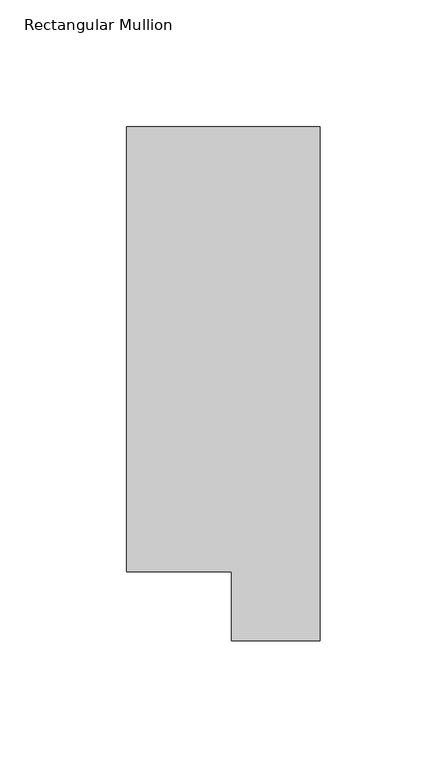
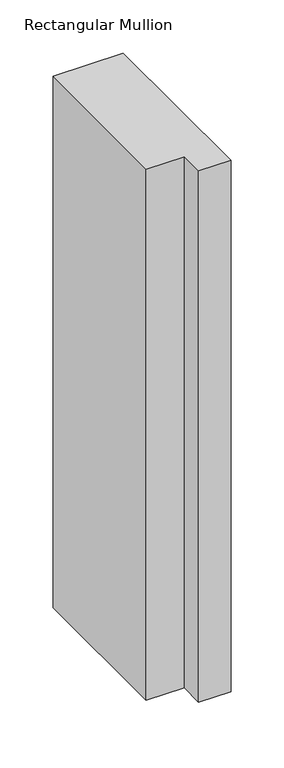
"""IFC4 building model written with IfcOpenShell, lengths in millimetres: member geometry, Rectangular Mullion."""

import ifcopenshell
import ifcopenshell.guid

model = None  # the IFC model being written
_history = None  # IfcOwnerHistory: only IFC2X3 demands one
_inside = {}  # id of a spatial element -> (the spatial element, [elements in it])
_under = {}  # id of a project, library or spatial element -> (it, [spatial elements below it])
_declared = {}  # id of a project -> (the project, [libraries it declares])
_typed = {}  # id of a type object -> (the type object, [elements of that type])
_made_of = {}  # id of a material, layer set ... -> (it, [elements and type objects made of it])


def new_model(schema):
    """Start an empty IFC model of exactly this schema.

    Asked for "IFC4X3", IfcOpenShell would pick the latest addendum, in which some entities
    have other attributes; the version numbers below select the first issue.
    IFC2X3 requires an IfcOwnerHistory on every rooted entity: one is made here for all.
    """
    global model, _history
    if schema == "IFC4X3":
        model = ifcopenshell.file(schema_version=(4, 3, 0, 0))
    else:
        model = ifcopenshell.file(schema=schema)
    _inside.clear()
    _under.clear()
    _declared.clear()
    _typed.clear()
    _made_of.clear()
    _history = None
    if model.schema == "IFC2X3":
        org = make("IfcOrganization", Name="unknown")
        user = make(
            "IfcPersonAndOrganization",
            ThePerson=make("IfcPerson", FamilyName="unknown"),
            TheOrganization=org,
        )
        app = make(
            "IfcApplication",
            ApplicationDeveloper=org,
            Version="unknown",
            ApplicationFullName="unknown",
            ApplicationIdentifier="unknown",
        )
        _history = make(
            "IfcOwnerHistory",
            OwningUser=user,
            OwningApplication=app,
            ChangeAction="ADDED",
            CreationDate=0,
        )
    return model


def make(cls, **values):
    """One entity of the class cls with the attributes given. An attribute that is None is left unset."""
    return model.create_entity(
        cls, **{name: value for name, value in values.items() if value is not None}
    )


def rooted(cls, **values):
    """An entity with a GlobalId (a new one), such as an element, a storey or a relation."""
    return make(cls, GlobalId=ifcopenshell.guid.new(), OwnerHistory=_history, **values)


def si_unit(unit_type, name, prefix=None):
    """IfcSIUnit, for example si_unit("LENGTHUNIT", "METRE", prefix="MILLI")."""
    return make("IfcSIUnit", UnitType=unit_type, Prefix=prefix, Name=name)


def assignment(units):
    """IfcUnitAssignment: the units of a project."""
    return None if units is None else make("IfcUnitAssignment", Units=units)


def point(xyz):
    """IfcCartesianPoint."""
    return None if xyz is None else make("IfcCartesianPoint", Coordinates=xyz)


def direction(xyz):
    """IfcDirection."""
    return None if xyz is None else make("IfcDirection", DirectionRatios=xyz)


def frame(location, z_axis=None, x_axis=None):
    """IfcAxis2Placement3D, a coordinate frame: its origin and axes. An axis left out is left unset."""
    return make(
        "IfcAxis2Placement3D",
        Location=point(location),
        Axis=direction(z_axis),
        RefDirection=direction(x_axis),
    )


def origin():
    """The frame at (0, 0, 0) with its axes left unset."""
    return frame((0.0, 0.0, 0.0))


def place(relative_to, where):
    """IfcLocalPlacement: puts the frame where relative to a parent placement (None: the world)."""
    return make(
        "IfcLocalPlacement", PlacementRelTo=relative_to, RelativePlacement=where
    )


def context(
    kind, dimensions, precision=None, world=None, true_north=None, identifier=None
):
    """IfcGeometricRepresentationContext, for example the 3D "Model" context."""
    return make(
        "IfcGeometricRepresentationContext",
        ContextIdentifier=identifier,
        ContextType=kind,
        CoordinateSpaceDimension=dimensions,
        Precision=precision,
        WorldCoordinateSystem=world,
        TrueNorth=true_north,
    )


def project(units=None, contexts=None):
    """IfcProject with its units and contexts."""
    return rooted(
        "IfcProject",
        Name="project",
        RepresentationContexts=contexts,
        UnitsInContext=assignment(units),
    )


def spatial(cls, under=None, at=None, **own):
    """A site, building, storey or space (cls), placed at a placement, below another one or the project."""
    s = rooted(cls, ObjectPlacement=at, **own)
    if under is not None:
        _under.setdefault(under.id(), (under, []))[1].append(s)
    return s


def polyline(points):
    """IfcPolyline through the points."""
    return make("IfcPolyline", Points=[point(p) for p in points])


def outline(outer, holes=None, kind="AREA"):
    """IfcArbitraryClosedProfileDef: a profile drawn as a closed curve; with holes, ...WithVoids."""
    if holes is None:
        return make("IfcArbitraryClosedProfileDef", ProfileType=kind, OuterCurve=outer)
    return make(
        "IfcArbitraryProfileDefWithVoids",
        ProfileType=kind,
        OuterCurve=outer,
        InnerCurves=holes,
    )


def extrude(swept, where, along, depth):
    """IfcExtrudedAreaSolid: the profile swept, set in the frame where, extruded along a direction by depth."""
    return make(
        "IfcExtrudedAreaSolid",
        SweptArea=swept,
        Position=where,
        ExtrudedDirection=direction(along),
        Depth=depth,
    )


def shape(context_of_items, identifier, shape_type, items):
    """IfcShapeRepresentation: the items that make up one representation, for example the "Body"."""
    return make(
        "IfcShapeRepresentation",
        ContextOfItems=context_of_items,
        RepresentationIdentifier=identifier,
        RepresentationType=shape_type,
        Items=items,
    )


def source(mapping_origin, context_of_items, identifier, shape_type, items):
    """IfcRepresentationMap: a shape defined once, which mapped items show again and again."""
    return make(
        "IfcRepresentationMap",
        MappingOrigin=mapping_origin,
        MappedRepresentation=shape(context_of_items, identifier, shape_type, items),
    )


def transform(
    local_origin,
    x_axis=None,
    y_axis=None,
    z_axis=None,
    scale=None,
    scale2=None,
    scale3=None,
    uniform=True,
):
    """IfcCartesianTransformationOperator3D, or its non-uniform kind. x_axis, y_axis, z_axis: its Axis1, 2, 3."""
    if uniform:
        return make(
            "IfcCartesianTransformationOperator3D",
            Axis1=direction(x_axis),
            Axis2=direction(y_axis),
            LocalOrigin=point(local_origin),
            Scale=scale,
            Axis3=direction(z_axis),
        )
    return make(
        "IfcCartesianTransformationOperator3DnonUniform",
        Axis1=direction(x_axis),
        Axis2=direction(y_axis),
        LocalOrigin=point(local_origin),
        Scale=scale,
        Axis3=direction(z_axis),
        Scale2=scale2,
        Scale3=scale3,
    )


def mapped(mapping_source, mapping_target):
    """IfcMappedItem: shows the shape of a source again, moved by a transform."""
    return make(
        "IfcMappedItem", MappingSource=mapping_source, MappingTarget=mapping_target
    )


def made_of(thing, what):
    """Note that an element or type object is made of a material, layer set ...; save() writes the relation."""
    if what is not None:
        _made_of.setdefault(what.id(), (what, []))[1].append(thing)
    return thing


def element(
    cls,
    number,
    at=None,
    inside=None,
    cuts=None,
    type_object=None,
    material=None,
    context=None,
    identifier="Body",
    shape_type=None,
    held_by="IfcProductDefinitionShape",
    body=None,
    shapes=None,
    **own,
):
    """One element of the class cls, such as IfcWall. Its Tag is "e" and its number.

    at: its placement. inside: the storey or other place that contains it. cuts: it is an
    opening in that element (IfcRelVoidsElement). A single representation is given by context,
    identifier, shape_type and body (its items); several are given by shapes. held_by: the class
    of the entity that holds the representations. save() writes the other relations.
    """
    e = rooted(cls, Tag="e%d" % number, ObjectPlacement=at, **own)
    if body is not None:
        shapes = [shape(context, identifier, shape_type, body)]
    if shapes is not None:
        e.Representation = make(held_by, Representations=shapes)
    if inside is not None:
        _inside.setdefault(inside.id(), (inside, []))[1].append(e)
    if cuts is not None:
        rooted(
            "IfcRelVoidsElement", RelatingBuildingElement=cuts, RelatedOpeningElement=e
        )
    if type_object is not None:
        _typed.setdefault(type_object.id(), (type_object, []))[1].append(e)
    return made_of(e, material)


def aggregate(whole, parts):
    """IfcRelAggregates: a whole, such as a stair, and the parts it consists of."""
    return rooted("IfcRelAggregates", RelatingObject=whole, RelatedObjects=parts)


def save(model, path):
    """Write the relations noted so far, then the file.

    IfcRelAggregates (storeys below a building ...), IfcRelContainedInSpatialStructure (elements
    in a storey), IfcRelDefinesByType, IfcRelAssociatesMaterial and IfcRelDeclares: one each for
    every whole, place, type object, material and project.
    """
    for whole, parts in _under.values():
        aggregate(whole, parts)
    for where, things in _inside.values():
        rooted(
            "IfcRelContainedInSpatialStructure",
            RelatedElements=things,
            RelatingStructure=where,
        )
    for kind, things in _typed.values():
        rooted("IfcRelDefinesByType", RelatedObjects=things, RelatingType=kind)
    for what, things in _made_of.values():
        rooted("IfcRelAssociatesMaterial", RelatedObjects=things, RelatingMaterial=what)
    for by, libraries in _declared.values():
        rooted("IfcRelDeclares", RelatingContext=by, RelatedDefinitions=libraries)
    model.write(path)


def rectangular_mullion_984d4152(model_context):
    return source(origin(), model_context, "Body", "SweptSolid", [
        extrude(outline(polyline([(0.0, 222.0301313), (0.0, 19.5667312), (-34.9123, 19.5667312), (-34.9123, 46.7447302), (-76.2, 46.7447302), (-76.2, 222.0301313), (0.0, 222.0301313)])), frame((0.0, 0.0, -609.6), z_axis=(0.0, 0.0, 1.0), x_axis=(1.0, 0.0, 0.0)), (0.0, 0.0, 1.0), 609.6),
    ])


if __name__ == "__main__":
    model = new_model("IFC4")
    model_context = context("Model", 3, world=origin())
    ifc_project = project(units=[si_unit("LENGTHUNIT", "METRE", prefix="MILLI")], contexts=[model_context])
    site = spatial("IfcSite", under=ifc_project)
    building = spatial("IfcBuilding", under=site)
    placement = place(None, origin())
    rectangular_mullion_shape = rectangular_mullion_984d4152(model_context)
    element("IfcMember", 1, ObjectType="Rectangular Mullion", at=placement, inside=building, context=model_context, shape_type="MappedRepresentation", body=[
        mapped(rectangular_mullion_shape, transform((0.0, 0.0, 0.0), x_axis=(1.0, 0.0, 0.0), y_axis=(0.0, 1.0, 0.0), z_axis=(0.0, 0.0, 1.0))),
    ])
    save(model, "model.ifc")
